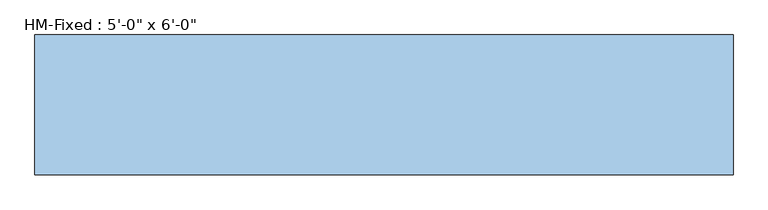
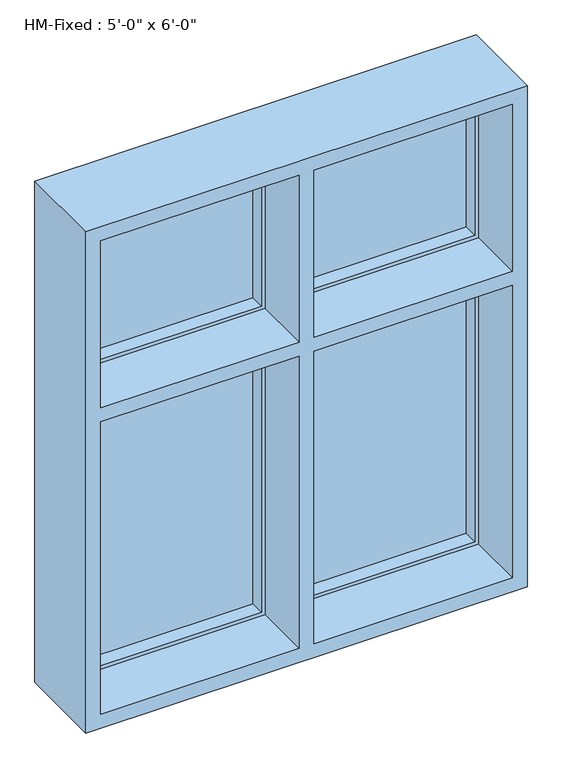
"""IFC4 building model written with IfcOpenShell, lengths in millimetres: window geometry."""

from ifc_helpers import new_model, si_unit, frame, origin, place, context, project, spatial, polyline, outline, extrude, faceted_brep, source, transform, mapped, element, save


def window_e7f36b9b(model_context):
    return source(origin(), model_context, "Body", "SolidModel", [
        faceted_brep([(762.0, -177.8, 1016.0), (762.0, -177.8, 2844.8), (-762.0, -177.8, 2844.8), (-762.0, -177.8, 1016.0), (-25.4, -177.8, 1066.8), (-711.2, -177.8, 1066.8), (-711.2, -177.8, 2133.6), (-25.4, -177.8, 2133.6), (-711.2, -177.8, 2794.0), (-25.4, -177.8, 2794.0), (-25.4, -177.8, 2184.4), (-711.2, -177.8, 2184.4), (25.4, -177.8, 2794.0), (711.2, -177.8, 2794.0), (711.2, -177.8, 2184.4), (25.4, -177.8, 2184.4), (25.4, -177.8, 2133.6), (711.2, -177.8, 2133.6), (711.2, -177.8, 1066.8), (25.4, -177.8, 1066.8), (-762.0, 127.0, 2844.8), (-762.0, 127.0, 1016.0), (762.0, 127.0, 2844.8), (762.0, 127.0, 1016.0), (25.4, 127.0, 1066.8), (711.2, 127.0, 1066.8), (711.2, 127.0, 2133.6), (25.4, 127.0, 2133.6), (-711.2, 127.0, 1066.8), (-25.4, 127.0, 1066.8), (-25.4, 127.0, 2133.6), (-711.2, 127.0, 2133.6), (-25.4, 127.0, 2794.0), (-711.2, 127.0, 2794.0), (-711.2, 127.0, 2184.4), (-25.4, 127.0, 2184.4), (25.4, 127.0, 2184.4), (711.2, 127.0, 2184.4), (711.2, 127.0, 2794.0), (25.4, 127.0, 2794.0), (25.4, 76.2, 1066.8), (25.4, 76.2, 2133.6), (25.4, 101.6, 2794.0), (25.4, 101.6, 2184.4), (25.4, 76.2, 2794.0), (25.4, 76.2, 2184.4), (25.4, 88.9, 2184.4), (25.4, 88.9, 2794.0), (711.2, 76.2, 1066.8), (-711.2, 76.2, 1066.8), (-25.4, 76.2, 1066.8), (-25.4, 76.2, 2133.6), (-25.4, 76.2, 2794.0), (-25.4, 76.2, 2184.4), (-711.2, 76.2, 2133.6), (-711.2, 76.2, 2794.0), (-711.2, 76.2, 2184.4), (711.2, 25.4, 1066.8), (25.4, 25.4, 1066.8), (-711.2, 25.4, 1066.8), (-25.4, 25.4, 1066.8), (25.4, 25.4, 2133.6), (25.4, 25.4, 2794.0), (25.4, 25.4, 2184.4), (-711.2, 25.4, 2133.6), (-711.2, 25.4, 2794.0), (-711.2, 25.4, 2184.4), (-25.4, 25.4, 2133.6), (-25.4, 25.4, 2794.0), (-25.4, 25.4, 2184.4), (-38.1, 25.4, 1079.5), (-698.5, 25.4, 1079.5), (-698.5, 25.4, 2120.9), (-38.1, 25.4, 2120.9), (711.2, 25.4, 2133.6), (38.1, 25.4, 1079.5), (38.1, 25.4, 2120.9), (698.5, 25.4, 2120.9), (698.5, 25.4, 1079.5), (-698.5, 25.4, 2781.3), (-38.1, 25.4, 2781.3), (-38.1, 25.4, 2197.1), (-698.5, 25.4, 2197.1), (711.2, 25.4, 2184.4), (711.2, 25.4, 2794.0), (38.1, 25.4, 2197.1), (38.1, 25.4, 2781.3), (698.5, 25.4, 2781.3), (698.5, 25.4, 2197.1), (38.1, 76.2, 1079.5), (698.5, 76.2, 1079.5), (-698.5, 76.2, 1079.5), (-38.1, 76.2, 1079.5), (38.1, 76.2, 2120.9), (38.1, 76.2, 2781.3), (38.1, 76.2, 2197.1), (-698.5, 76.2, 2120.9), (-698.5, 76.2, 2781.3), (-698.5, 76.2, 2197.1), (-38.1, 76.2, 2120.9), (-38.1, 76.2, 2781.3), (-38.1, 76.2, 2197.1), (711.2, 76.2, 2133.6), (698.5, 76.2, 2120.9), (711.2, 76.2, 2794.0), (711.2, 76.2, 2184.4), (698.5, 76.2, 2197.1), (698.5, 76.2, 2781.3), (711.2, 101.6, 2794.0), (711.2, 88.9, 2794.0), (711.2, 101.6, 2184.4), (711.2, 88.9, 2184.4), (38.1, 88.9, 2197.1), (38.1, 88.9, 2781.3), (698.5, 88.9, 2781.3), (698.5, 88.9, 2197.1), (38.1, 101.6, 2781.3), (38.1, 101.6, 2197.1), (698.5, 101.6, 2197.1), (698.5, 101.6, 2781.3)], [[[0, 1, 2, 3], [4, 5, 6, 7], [8, 9, 10, 11], [12, 13, 14, 15], [16, 17, 18, 19]], [[2, 20, 21, 3]], [[22, 23, 21, 20], [24, 25, 26, 27], [28, 29, 30, 31], [32, 33, 34, 35], [36, 37, 38, 39]], [[0, 3, 21, 23]], [[40, 24, 27, 41]], [[36, 39, 42, 43]], [[44, 45, 46, 47]], [[25, 24, 40, 48]], [[28, 49, 50, 29]], [[29, 50, 51, 30]], [[52, 32, 35, 53]], [[49, 28, 31, 54]], [[33, 55, 56, 34]], [[19, 18, 57, 58]], [[59, 5, 4, 60]], [[19, 58, 61, 16]], [[62, 12, 15, 63]], [[5, 59, 64, 6]], [[65, 8, 11, 66]], [[60, 4, 7, 67]], [[9, 68, 69, 10]], [[59, 60, 67, 64], [70, 71, 72, 73]], [[61, 58, 57, 74], [75, 76, 77, 78]], [[68, 65, 66, 69], [79, 80, 81, 82]], [[62, 63, 83, 84], [85, 86, 87, 88]], [[89, 75, 78, 90]], [[91, 71, 70, 92]], [[75, 89, 93, 76]], [[94, 86, 85, 95]], [[71, 91, 96, 72]], [[97, 79, 82, 98]], [[92, 70, 73, 99]], [[80, 100, 101, 81]], [[40, 41, 102, 48], [93, 89, 90, 103]], [[50, 49, 54, 51], [91, 92, 99, 96]], [[45, 44, 104, 105], [94, 95, 106, 107]], [[55, 52, 53, 56], [100, 97, 98, 101]], [[22, 20, 2, 1]], [[13, 12, 62, 84]], [[8, 65, 68, 9]], [[86, 94, 107, 87]], [[79, 97, 100, 80]], [[39, 38, 108, 42]], [[55, 33, 32, 52]], [[104, 44, 47, 109]], [[27, 26, 102, 41]], [[31, 30, 51, 54]], [[37, 36, 43, 110]], [[35, 34, 56, 53]], [[46, 45, 105, 111]], [[82, 81, 101, 98]], [[95, 85, 88, 106]], [[15, 14, 83, 63]], [[11, 10, 69, 66]], [[17, 16, 61, 74]], [[7, 6, 64, 67]], [[73, 72, 96, 99]], [[76, 93, 103, 77]], [[109, 47, 46, 111], [112, 113, 114, 115]], [[42, 108, 110, 43], [116, 117, 118, 119]], [[112, 117, 116, 113]], [[113, 116, 119, 114]], [[114, 119, 118, 115]], [[117, 112, 115, 118]], [[22, 1, 0, 23]], [[74, 57, 18, 17]], [[84, 83, 14, 13]], [[103, 90, 78, 77]], [[88, 87, 107, 106]], [[26, 25, 48, 102]], [[38, 37, 110, 108]], [[105, 104, 109, 111]]]),
        extrude(outline(polyline([(2184.4, -711.2), (2184.4, -25.4), (2794.0, -25.4), (2794.0, -711.2), (2184.4, -711.2)]), holes=[polyline([(2781.3, -698.5), (2781.3, -38.1), (2197.1, -38.1), (2197.1, -698.5), (2781.3, -698.5)])]), frame((0.0, 88.9, 0.0), z_axis=(0.0, 1.0, 0.0), x_axis=(0.0, 0.0, 1.0)), (0.0, 0.0, 1.0), 12.7),
        extrude(outline(polyline([(-711.2, 88.9), (-25.4, 88.9), (-25.4, 76.2), (-711.2, 76.2), (-711.2, 88.9)])), frame((0.0, 0.0, 2184.4), z_axis=(0.0, 0.0, 1.0), x_axis=(1.0, 0.0, 0.0)), (0.0, 0.0, 1.0), 609.6),
        extrude(outline(polyline([(25.4, 88.9), (711.2, 88.9), (711.2, 76.2), (25.4, 76.2), (25.4, 88.9)])), frame((0.0, 0.0, 2184.4), z_axis=(0.0, 0.0, 1.0), x_axis=(1.0, 0.0, 0.0)), (0.0, 0.0, 1.0), 609.6),
        extrude(outline(polyline([(1066.8, -711.2), (1066.8, -25.4), (2133.6, -25.4), (2133.6, -711.2), (1066.8, -711.2)]), holes=[polyline([(2120.9, -698.5), (2120.9, -38.1), (1079.5, -38.1), (1079.5, -698.5), (2120.9, -698.5)])]), frame((0.0, 88.9, 0.0), z_axis=(0.0, 1.0, 0.0), x_axis=(0.0, 0.0, 1.0)), (0.0, 0.0, 1.0), 12.7),
        extrude(outline(polyline([(1066.8, 25.4), (1066.8, 711.2), (2133.6, 711.2), (2133.6, 25.4), (1066.8, 25.4)]), holes=[polyline([(2120.9, 38.1), (2120.9, 698.5), (1079.5, 698.5), (1079.5, 38.1), (2120.9, 38.1)])]), frame((0.0, 88.9, 0.0), z_axis=(0.0, 1.0, 0.0), x_axis=(0.0, 0.0, 1.0)), (0.0, 0.0, 1.0), 12.7),
        extrude(outline(polyline([(-711.2, 88.9), (-25.4, 88.9), (-25.4, 76.2), (-711.2, 76.2), (-711.2, 88.9)])), frame((0.0, 0.0, 1066.8), z_axis=(0.0, 0.0, 1.0), x_axis=(1.0, 0.0, 0.0)), (0.0, 0.0, 1.0), 1066.8),
        extrude(outline(polyline([(25.4, 88.9), (711.2, 88.9), (711.2, 76.2), (25.4, 76.2), (25.4, 88.9)])), frame((0.0, 0.0, 1066.8), z_axis=(0.0, 0.0, 1.0), x_axis=(1.0, 0.0, 0.0)), (0.0, 0.0, 1.0), 1066.8),
    ])


if __name__ == "__main__":
    model = new_model("IFC4")
    model_context = context("Model", 3, world=origin())
    ifc_project = project(units=[si_unit("LENGTHUNIT", "METRE", prefix="MILLI")], contexts=[model_context])
    site = spatial("IfcSite", under=ifc_project)
    building = spatial("IfcBuilding", under=site)
    placement = place(None, origin())
    window_shape = window_e7f36b9b(model_context)
    element("IfcWindow", 1, ObjectType="HM-Fixed : 5'-0\" x 6'-0\"", at=placement, inside=building, context=model_context, shape_type="MappedRepresentation", body=[
        mapped(window_shape, transform((0.0, 0.0, 0.0), x_axis=(1.0, 0.0, 0.0), y_axis=(0.0, 1.0, 0.0), z_axis=(0.0, 0.0, 1.0))),
    ])
    save(model, "model.ifc")
